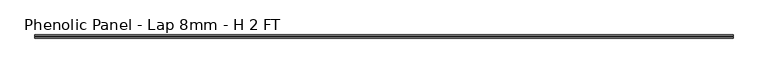
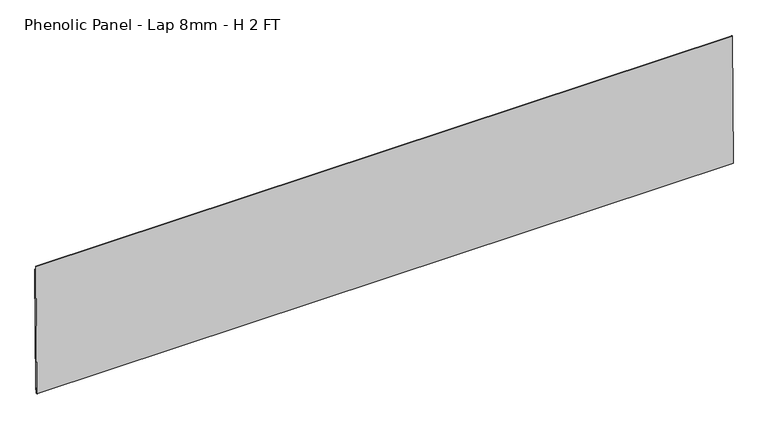
"""IFC4 building model written with IfcOpenShell, lengths in millimetres: proxy geometry, Phenolic Panel - Lap 8mm - H 2 FT."""

from ifc_helpers import new_model, si_unit, frame, origin, place, context, project, spatial, polyline, outline, extrude, source, transform, mapped, element, save


def phenolic_panel_lap_8mm_h_2_ft_a7415b95(model_context):
    return source(origin(), model_context, "Body", "SweptSolid", [
        extrude(outline(polyline([(2.7732555, 593.6735917), (-2.4688477, 47.5987522), (-4.849988, 47.6216102), (-4.7737946, 55.5587445), (-7.3533633, 55.5835073), (-7.5819434, 31.7721044), (-9.5523841, 31.7910199), (-10.5487117, 32.8066615), (-5.0211492, 608.618069), (-4.0055075, 609.6143966), (-2.6240021, 609.6011347), (-2.7763888, 593.7268661), (2.7732555, 593.6735917)])), frame((-1787.525, 0.0, 0.0), z_axis=(1.0, 0.0, 0.0), x_axis=(0.0, 1.0, 0.0)), (0.0, 0.0, 1.0), 3006.725),
    ])


if __name__ == "__main__":
    model = new_model("IFC4")
    model_context = context("Model", 3, world=origin())
    ifc_project = project(units=[si_unit("LENGTHUNIT", "METRE", prefix="MILLI")], contexts=[model_context])
    site = spatial("IfcSite", under=ifc_project)
    building = spatial("IfcBuilding", under=site)
    placement = place(None, origin())
    phenolic_panel_lap_8mm_h_2_ft_shape = phenolic_panel_lap_8mm_h_2_ft_a7415b95(model_context)
    element("IfcBuildingElementProxy", 1, Name="Phenolic Panel - Lap 8mm - H 2 FT", ObjectType="Phenolic Panel - Lap 8mm - H 2 FT", at=placement, inside=building, context=model_context, shape_type="MappedRepresentation", body=[
        mapped(phenolic_panel_lap_8mm_h_2_ft_shape, transform((0.0, 0.0, 0.0), x_axis=(1.0, 0.0, 0.0), y_axis=(0.0, 1.0, 0.0), z_axis=(0.0, 0.0, 1.0))),
    ])
    save(model, "model.ifc")
